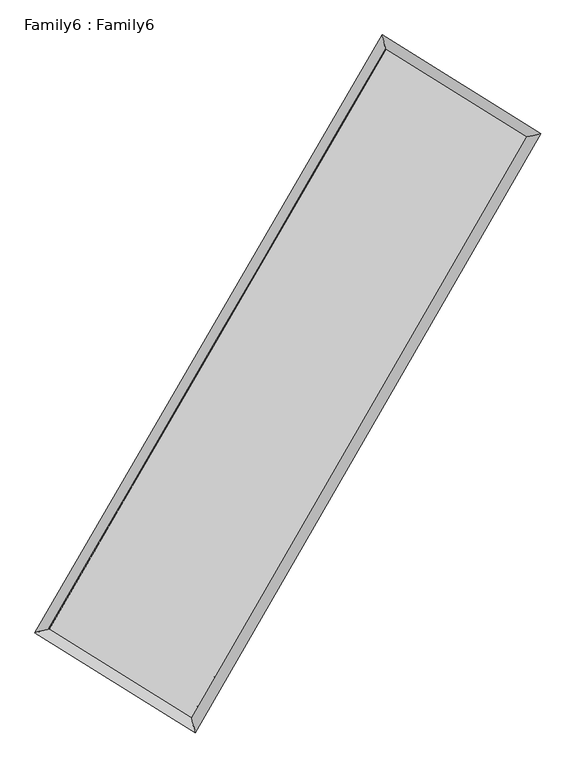
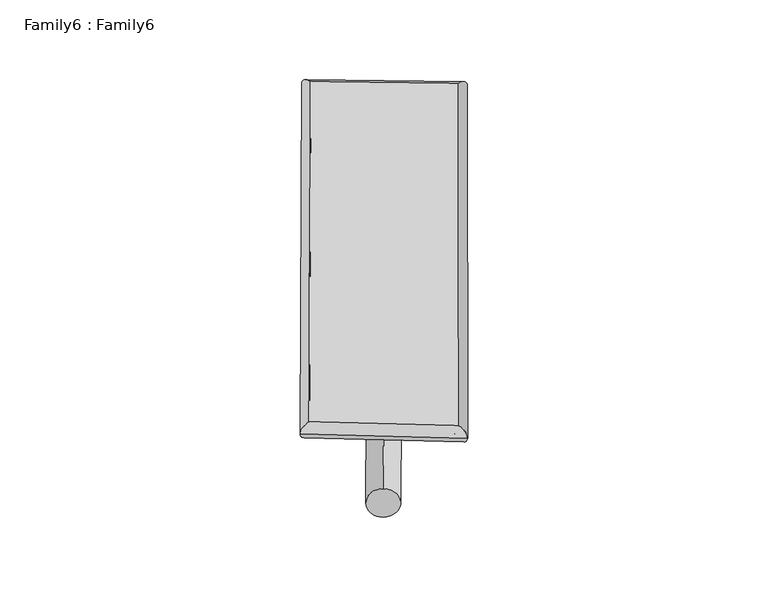
"""IFC4 building model written with IfcOpenShell, lengths in millimetres: plate geometry, Family6 : Family6."""

from ifc_helpers import new_model, si_unit, point, frame, origin, origin_2d, place, context, project, spatial, circle_curve, ellipse_curve, trimmed, segment, composite_curve, outline, extrude, source, transform, mapped, element, save
from ifc_brep_helpers import plane_surface, cylinder_surface, spline_surface, advanced_brep


def family6_family6_5f836d15(model_context):
    return source(origin(), model_context, "Body", "SolidModel", [
        extrude(outline(composite_curve([segment(trimmed(circle_curve(origin_2d(), 76.2), [point((-75.4341514, -10.7763074))], [point((75.4341514, 10.7763074))], False, "CARTESIAN"), True, "CONTINUOUS"), segment(trimmed(circle_curve(origin_2d(), 76.2), [point((75.4341514, 10.7763074))], [point((-75.4341514, -10.7763074))], False, "CARTESIAN"), True, "CONTINUOUS")], self_intersect=False)), frame((9144.0, 9144.0, 0.0), z_axis=(0.6689892319490359, 0.689799761885093, 0.27682069293950573), x_axis=(-0.6820082491399889, 0.7177527173921407, -0.14034167157763416)), (0.0, 0.0, 1.0), 5538.6661497),
        extrude(outline(composite_curve([segment(trimmed(circle_curve(origin_2d(), 76.2), [point((-53.8815367, 53.8815368))], [point((53.8815367, -53.8815368))], False, "CARTESIAN"), True, "CONTINUOUS"), segment(trimmed(circle_curve(origin_2d(), 76.2), [point((53.8815367, -53.8815368))], [point((-53.8815367, 53.8815368))], False, "CARTESIAN"), True, "CONTINUOUS")], self_intersect=False)), frame((9144.0, 9144.0, 0.0), z_axis=(-0.6710464717261263, -0.6878590472827406, 0.27667049690055057), x_axis=(0.6441516651135516, -0.3561313067388619, 0.6769336191177904)), (0.0, 0.0, 1.0), 5541.7157547),
        extrude(outline(composite_curve([segment(trimmed(circle_curve(origin_2d(), 76.2), [point((-53.8815367, -53.8815367))], [point((53.8815367, 53.8815367))], False, "CARTESIAN"), True, "CONTINUOUS"), segment(trimmed(circle_curve(origin_2d(), 76.2), [point((53.8815367, 53.8815367))], [point((-53.8815367, -53.8815367))], False, "CARTESIAN"), True, "CONTINUOUS")], self_intersect=False)), frame((9144.0, 9144.0, 0.0), z_axis=(0.26862722937299605, 0.9248090746112614, 0.2693837173179745), x_axis=(-0.8404889143237301, 0.3616578271443708, -0.40346251494299945)), (0.0, 0.0, 1.0), 5612.2087847),
        extrude(outline(composite_curve([segment(trimmed(circle_curve(origin_2d(), 76.2), [point((-75.4341514, 10.7763074))], [point((75.4341514, -10.7763074))], False, "CARTESIAN"), True, "CONTINUOUS"), segment(trimmed(circle_curve(origin_2d(), 76.2), [point((75.4341514, -10.7763074))], [point((-75.4341514, 10.7763074))], False, "CARTESIAN"), True, "CONTINUOUS")], self_intersect=False)), frame((9144.0, 9144.0, 0.0), z_axis=(-0.2661548505486931, -0.9255857713632808, 0.26917016064051974), x_axis=(0.8814933454820362, -0.12071962923117877, 0.45650438441396657)), (0.0, 0.0, 1.0), 5617.4498295),
        advanced_brep(
        [(5219.35938, 5280.9501708, 1531.5582523), (5219.3448946, 5280.9304303, 1535.2934732), (5631.143011, 5383.2111905, 1534.9002508), (10704.4296441, 14121.722919, 1514.1351202), (10598.7545489, 14546.7203065, 1509.5402094), (5631.1574965, 5383.230931, 1531.1650299), (12643.7299848, 12913.1205367, 1533.0009483), (13054.8860422, 13016.0206457, 1533.4338547), (7595.6809624, 4157.4012872, 1512.4536211), (7702.095998, 3731.7354457, 1511.6461249)],
        [
            (0, 1, ellipse_curve(frame((5425.2511955, 5332.0806807, 1533.2292515), z_axis=(-0.2410460300355144, 0.9705046210700554, 0.004194268206256753), x_axis=(-0.970480049149953, -0.2410714051751088, 0.007283667263355202)), 212.1750845, 152.4)),
            (1, 2, ellipse_curve(frame((5425.2511955, 5332.0806807, 1533.2292515), z_axis=(-0.2410460300355144, 0.9705046210700554, 0.004194268206256753), x_axis=(-0.970480049149953, -0.2410714051751088, 0.007283667263355202)), 212.1750845, 152.4)),
            (2, 3),
            (3, 4, ellipse_curve(frame((10651.5920965, 14334.2216127, 1511.8376648), z_axis=(-0.970429337508452, -0.24134426589916952, -0.004454909707052416), x_axis=(0.24130940277614213, -0.9704216761923866, 0.007179311093704063)), 218.9825102, 152.4)),
            (4, 0),
            (2, 5, ellipse_curve(frame((5425.2511955, 5332.0806807, 1533.2292515), z_axis=(-0.2410460300355144, 0.9705046210700554, 0.004194268206256753), x_axis=(-0.970480049149953, -0.2410714051751088, 0.007283667263355202)), 212.1750845, 152.4)),
            (5, 0, ellipse_curve(frame((5425.2511955, 5332.0806807, 1533.2292515), z_axis=(-0.2410460300355144, 0.9705046210700554, 0.004194268206256753), x_axis=(-0.970480049149953, -0.2410714051751088, 0.007283667263355202)), 212.1750845, 152.4)),
            (4, 3, ellipse_curve(frame((10651.5920965, 14334.2216127, 1511.8376648), z_axis=(-0.970429337508452, -0.24134426589916952, -0.004454909707052416), x_axis=(0.24130940277614213, -0.9704216761923866, 0.007179311093704063)), 218.9825102, 152.4)),
            (3, 6),
            (6, 7, ellipse_curve(frame((12849.3080135, 12964.5705912, 1533.2174015), z_axis=(-0.24277575576075652, 0.9700727875031032, -0.004326587656860695), x_axis=(-0.9700475047320459, -0.24280244786275956, -0.0074033691643253935)), 211.9226007, 152.4)),
            (7, 4),
            (7, 6, ellipse_curve(frame((12849.3080135, 12964.5705912, 1533.2174015), z_axis=(-0.24277575576075652, 0.9700727875031032, -0.004326587656860695), x_axis=(-0.9700475047320459, -0.24280244786275956, -0.0074033691643253935)), 211.9226007, 152.4)),
            (6, 8),
            (8, 9, ellipse_curve(frame((7648.8884802, 3944.5683665, 1512.049873), z_axis=(0.9701321312816745, 0.24253804271175364, -0.0043526649798971105), x_axis=(-0.2425046629246422, 0.9701247714966532, 0.007029664883332883)), 219.3865194, 152.4)),
            (9, 7),
            (9, 8, ellipse_curve(frame((7648.8884802, 3944.5683665, 1512.049873), z_axis=(0.9701321312816745, 0.24253804271175364, -0.0043526649798971105), x_axis=(-0.2425046629246422, 0.9701247714966532, 0.007029664883332883)), 219.3865194, 152.4)),
            (8, 5),
            (1, 9),
        ],
        [
            cylinder_surface(frame((5425.2511955, 5332.0806807, 1533.2292515), z_axis=(-0.5020835414008575, -0.8648166824513059, 0.0020550445957973427), x_axis=(-0.8647593028028069, 0.5020194446300021, -0.012954745438944133)), 152.4),
            cylinder_surface(frame((10651.5920965, 14334.2216127, 1511.8376648), z_axis=(-0.8486492721496396, 0.5288915339502949, -0.00825579769562613), x_axis=(0.5289441304146277, 0.848631319364348, -0.006556728897797933)), 152.4),
            cylinder_surface(frame((12849.3080135, 12964.5705912, 1533.2174015), z_axis=(0.4994743842556467, 0.8663262700844951, 0.002033035643814739), x_axis=(0.8663284847208077, -0.49947438425564666, -0.0005440898746595732)), 152.4),
            cylinder_surface(frame((7648.8884802, 3944.5683665, 1512.049873), z_axis=(0.8483580822550773, -0.5293611930707209, -0.0080803182629348), x_axis=(-0.5293306232856648, -0.8483963686264947, 0.0057177752130048495)), 152.4),
        ],
        [
            (0, [[1, 2, 3, 4, 5]]),
            (0, [[6, 7, -5, 8, -3]]),
            (1, [[-4, 9, 10, 11]]),
            (1, [[-8, -11, 12, -9]]),
            (2, [[-10, 13, 14, 15]]),
            (2, [[-12, -15, 16, -13]]),
            (3, [[-14, 17, -6, -2, 18]]),
            (3, [[-16, -18, -1, -7, -17]]),
        ],
    ),
        extrude(outline(composite_curve([segment(trimmed(circle_curve(origin_2d(), 304.8), [point((0.0, -304.8))], [point((0.0, 304.8))], False, "CARTESIAN"), True, "CONTINUOUS"), segment(trimmed(circle_curve(origin_2d(), 304.8), [point((0.0, 304.8))], [point((0.0, -304.8))], False, "CARTESIAN"), True, "CONTINUOUS")], self_intersect=False)), frame((6518.0220638, 4631.0097591, -0.0021881), z_axis=(0.5029276548273589, 0.8643285104690679, 4.190685222078732e-07), x_axis=(-0.864328510469162, 0.5029276548273588, 1.1304936222476412e-07)), (0.0, 0.0, 1.0), 10442.7661155),
        advanced_brep(
        [(5425.2511955, 5332.0806807, 1533.2292515), (7648.8884802, 3944.5683665, 1512.049873), (7648.8907581, 3944.5689184, 1664.449873), (5425.2534734, 5332.0812326, 1685.6292515), (12849.3080135, 12964.5705912, 1533.2174015), (12849.3102914, 12964.5711431, 1685.6174015), (10651.5920965, 14334.2216127, 1511.8376648), (10651.5943744, 14334.2221646, 1664.2376648)],
        [
            (0, 1),
            (1, 2),
            (2, 3),
            (3, 0),
            (1, 4),
            (4, 5),
            (5, 2),
            (4, 6),
            (6, 7),
            (7, 5),
            (6, 0),
            (3, 7),
        ],
        [
            plane_surface(frame((6537.0698378, 4638.3245236, 1522.6395623), z_axis=(-0.5293783999825822, -0.8483858258547293, 1.0984996028781495e-05), x_axis=(0.8483580822550773, -0.5293611930707212, -0.008080318262934795))),
            plane_surface(frame((10249.0982468, 8454.5694788, 1522.6336373), z_axis=(0.8663280717133103, -0.4994753968289044, -1.1140301296252248e-05), x_axis=(0.4994743842556468, 0.8663262700844951, 0.0020330356438147453))),
            plane_surface(frame((11750.450055, 13649.396102, 1522.5275332), z_axis=(0.528909635913638, 0.8486781468361039, -1.0979047982385796e-05), x_axis=(-0.8486492721496395, 0.528891533950295, -0.008255797695626127))),
            plane_surface(frame((8038.421646, 9833.1511467, 1522.5334582), z_axis=(-0.8648184970925991, 0.5020846213170689, 1.1108288557104985e-05), x_axis=(-0.5020835414008576, -0.8648166824513058, 0.0020550445957973414))),
            spline_surface(1, 1, [[(7648.8907581, 3944.5689184, 1664.449873), (5425.2534734, 5332.0812326, 1685.6292515)], [(12849.3102914, 12964.5711431, 1685.6174015), (10651.5943744, 14334.2221646, 1664.2376648)]], [2, 2], [2, 2], [0.0, 1.0], [0.0, 1.0]),
            spline_surface(1, 1, [[(10651.5920965, 14334.2216127, 1511.8376648), (5425.2511955, 5332.0806807, 1533.2292515)], [(12849.3080135, 12964.5705912, 1533.2174015), (7648.8884802, 3944.5683665, 1512.049873)]], [2, 2], [2, 2], [0.0, 1.0], [0.0, 1.0]),
        ],
        [
            (0, [[1, 2, 3, 4]]),
            (1, [[5, 6, 7, -2]]),
            (2, [[8, 9, 10, -6]]),
            (3, [[11, -4, 12, -9]]),
            (4, [[-3, -7, -10, -12]]),
            (5, [[-11, -8, -5, -1]]),
        ],
    ),
    ])


if __name__ == "__main__":
    model = new_model("IFC4")
    model_context = context("Model", 3, world=origin())
    ifc_project = project(units=[si_unit("LENGTHUNIT", "METRE", prefix="MILLI")], contexts=[model_context])
    site = spatial("IfcSite", under=ifc_project)
    building = spatial("IfcBuilding", under=site)
    placement = place(None, origin())
    family6_family6_shape = family6_family6_5f836d15(model_context)
    element("IfcPlate", 1, ObjectType="Family6 : Family6", at=placement, inside=building, context=model_context, shape_type="MappedRepresentation", body=[
        mapped(family6_family6_shape, transform((0.0, 0.0, 0.0), x_axis=(1.0, 0.0, 0.0), y_axis=(0.0, 1.0, 0.0), z_axis=(0.0, 0.0, 1.0))),
    ])
    save(model, "model.ifc")
